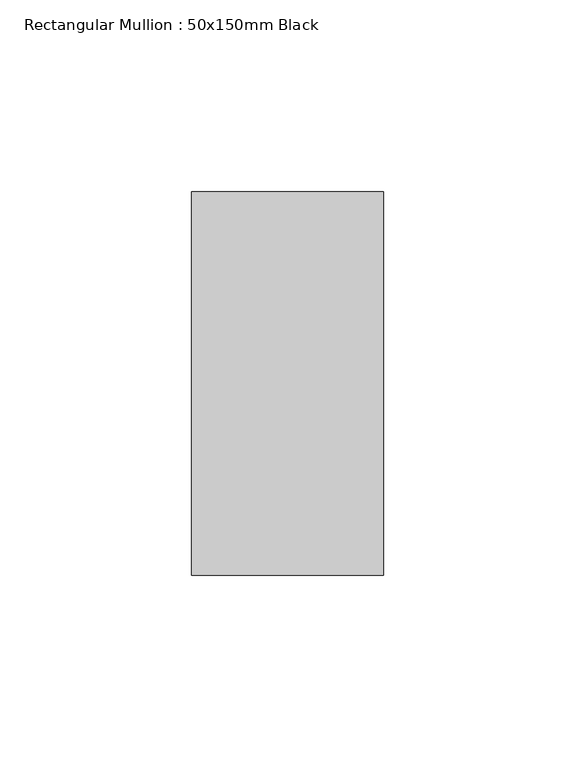
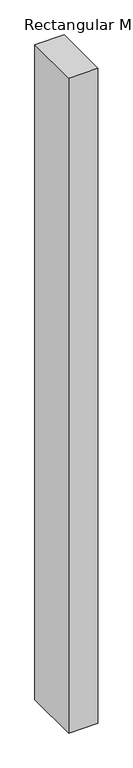
"""IFC4 building model written with IfcOpenShell, lengths in millimetres: member geometry, Rectangular Mullion : 50x150mm Black."""

from ifc_helpers import new_model, si_unit, frame, origin, place, context, project, spatial, polyline, outline, extrude, source, transform, mapped, element, save


def rectangular_mullion_50x150mm_black_4ebfed07(model_context):
    return source(origin(), model_context, "Body", "SweptSolid", [
        extrude(outline(polyline([(25.0, 50.0), (25.0, -50.0), (-25.0, -50.0), (-25.0, 50.0), (25.0, 50.0)])), frame((0.0, 0.0, -1184.9999997), z_axis=(0.0, 0.0, 1.0), x_axis=(1.0, 0.0, 0.0)), (0.0, 0.0, 1.0), 1184.9999997),
    ])


if __name__ == "__main__":
    model = new_model("IFC4")
    model_context = context("Model", 3, world=origin())
    ifc_project = project(units=[si_unit("LENGTHUNIT", "METRE", prefix="MILLI")], contexts=[model_context])
    site = spatial("IfcSite", under=ifc_project)
    building = spatial("IfcBuilding", under=site)
    placement = place(None, origin())
    rectangular_mullion_50x150mm_black_shape = rectangular_mullion_50x150mm_black_4ebfed07(model_context)
    element("IfcMember", 1, ObjectType="Rectangular Mullion : 50x150mm Black", at=placement, inside=building, context=model_context, shape_type="MappedRepresentation", body=[
        mapped(rectangular_mullion_50x150mm_black_shape, transform((0.0, 0.0, 0.0), x_axis=(1.0, 0.0, 0.0), y_axis=(0.0, 1.0, 0.0), z_axis=(0.0, 0.0, 1.0))),
    ])
    save(model, "model.ifc")
